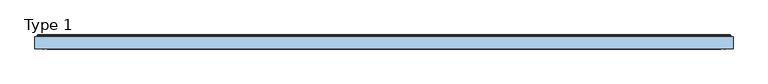
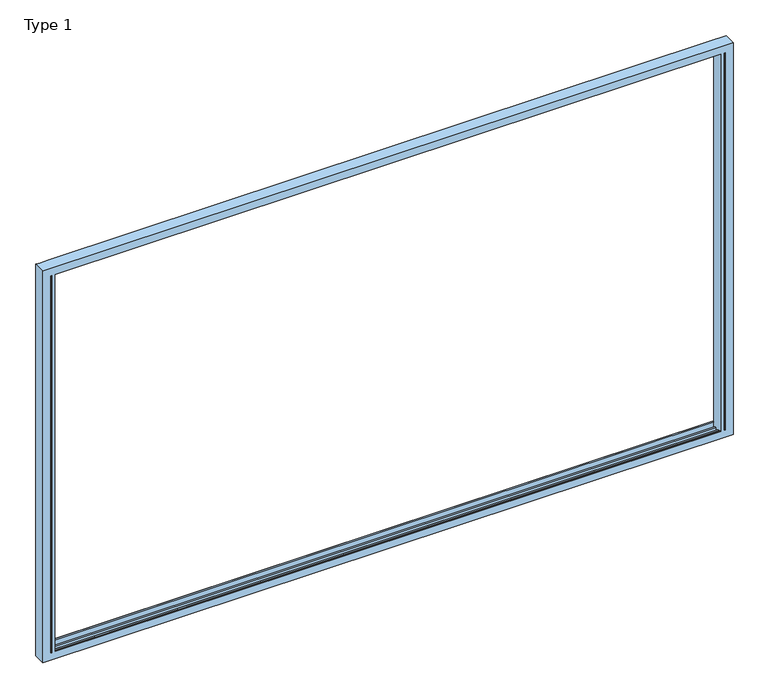
"""IFC4 building model written with IfcOpenShell, lengths in millimetres: window geometry, Type 1."""

from ifc_helpers import new_model, si_unit, frame, origin, place, context, project, spatial, ellipse_curve, source, transform, mapped, element, save
from ifc_brep_helpers import plane_surface, cylinder_surface, advanced_brep


def type_1_b8dff935(model_context):
    return source(origin(), model_context, "Body", "AdvancedBrep", [
        advanced_brep(
        [(1945.0, -70.0, 45.0), (1945.0, -70.0, 2345.0), (1945.0, -66.5, 2345.0), (1945.0, -66.4999084, 45.0), (1940.0003662, -66.4999084, 45.0), (1940.0003662, -70.0, 45.0), (-1945.0, -70.0, 45.0), (-1940.0003662, -70.0, 45.0), (-1940.0003662, -66.5, 45.0), (-1945.0, -66.4999084, 45.0), (1918.7961345, -66.5, 45.0), (-1918.7961345, -66.5, 45.0), (-1918.7961345, -70.0, 45.0), (1918.7961345, -70.0, 45.0), (1990.0, -70.0, 2390.0), (-1990.0, -70.0, 2390.0), (-1990.0, -70.0, 0.0), (1990.0, -70.0, 0.0), (1940.0003662, -70.0, 2345.0), (1918.7961345, -70.0, 2345.0), (-1918.7961345, -70.0, 2345.0), (-1945.0, -70.0, 2345.0), (-1940.0003662, -70.0, 2345.0), (1940.0003662, -66.5, 2345.0), (-1945.0, -66.4999084, 2345.0), (-1940.0003662, -66.4999084, 2345.0), (1918.7961345, -66.5, 2345.0), (1918.7961345, -66.5, 2365.9997864), (1918.7961345, -55.8499756, 2365.9997864), (1918.7961345, -55.8499756, 2349.000061), (1918.7961345, -46.25, 2349.000061), (1918.7961345, -46.25, 2365.9997864), (1918.7961345, -23.7500839, 2365.9997864), (1918.7961345, -23.7500839, 2349.000061), (1918.7961345, -14.1501312, 2349.000061), (1918.7961345, -14.1501312, 2365.9997864), (1918.7961345, 0.0, 2365.9997864), (1918.7961345, 0.0, 2330.0000916), (1918.7961345, 0.0, 59.9999084), (1918.7961345, 0.0, 24.0002136), (1918.7961345, -14.1501312, 24.0002136), (1918.7961345, -14.1501312, 40.999939), (1918.7961345, -23.7500839, 40.999939), (1918.7961345, -23.7500839, 24.0002136), (1918.7961345, -46.25, 24.0002136), (1918.7961345, -46.25, 40.999939), (1918.7961345, -55.8499756, 40.999939), (1918.7961345, -55.8499756, 24.0002136), (1918.7961345, -66.5, 24.0002136), (-1918.7961345, -66.5, 24.0002136), (-1918.7961345, -55.8499756, 24.0002136), (-1918.7961345, -55.8499756, 40.999939), (-1918.7961345, -46.25, 40.999939), (-1918.7961345, -46.25, 24.0002136), (-1918.7961345, -23.7500839, 24.0002136), (-1918.7961345, -23.7500839, 40.999939), (-1918.7961345, -14.1501312, 40.999939), (-1918.7961345, -14.1501312, 24.0002136), (-1918.7961345, 0.0, 24.0002136), (-1918.7961345, 0.0, 59.9999084), (-1918.7961345, 0.0, 2330.0000916), (-1918.7961345, 0.0, 2365.9997864), (-1918.7961345, -14.1501312, 2365.9997864), (-1918.7961345, -14.1501312, 2349.000061), (-1918.7961345, -23.7500839, 2349.000061), (-1918.7961345, -23.7500839, 2365.9997864), (-1918.7961345, -46.25, 2365.9997864), (-1918.7961345, -46.25, 2349.000061), (-1918.7961345, -55.8499756, 2349.000061), (-1918.7961345, -55.8499756, 2365.9997864), (-1918.7961345, -66.5, 2365.9997864), (-1918.7961345, -66.5, 2345.0), (-1990.0, 0.0, 0.0), (-1965.9997864, 0.0, 0.0), (-1918.7961345, 0.0, 0.0), (1918.7961345, 0.0, 0.0), (1965.9997864, 0.0, 0.0), (1990.0, 0.0, 0.0), (1990.0, 0.0, 2390.0), (-1990.0, 0.0, 2390.0), (-1965.9997864, 0.0, 2390.0), (-1918.7961345, 0.0, 2390.0), (1918.7961345, 0.0, 2390.0), (1965.9997864, 0.0, 2390.0), (1977.999939, 0.0, 2377.999939), (1965.9997864, 0.0, 2377.999939), (1918.7961345, 0.0, 2377.999939), (-1918.7961345, 0.0, 2377.999939), (-1965.9997864, 0.0, 2377.999939), (-1977.999939, 0.0, 2377.999939), (-1977.999939, 0.0, 12.000061), (-1965.9997864, 0.0, 12.000061), (-1918.7961345, 0.0, 12.000061), (1918.7961345, 0.0, 12.000061), (1965.9997864, 0.0, 12.000061), (1977.999939, 0.0, 12.000061), (1930.0000916, 0.0, 59.9999084), (1930.0000916, 0.0, 2330.0000916), (1930.0000916, 7.4999847, 2330.0000916), (1930.0000916, 7.4999847, 59.9999084), (-1930.0000916, 7.4999847, 59.9999084), (-1930.0000916, 0.0, 59.9999084), (-1930.0000916, 0.0, 2330.0000916), (-1930.0000916, 7.4999847, 2330.0000916), (1932.5000916, 9.9999847, 57.4999084), (-1932.5000916, 9.9999847, 57.4999084), (1977.999939, 5.4999847, 12.000061), (1977.999939, 5.4999847, 2377.999939), (-1977.999939, 5.4999847, 12.000061), (-1973.499939, 9.9999847, 16.500061), (1973.499939, 9.9999847, 16.500061), (-1977.999939, 5.4999847, 2377.999939), (1932.5000916, 9.9999847, 2332.5000916), (1973.499939, 9.9999847, 2373.499939), (-1932.5000916, 9.9999847, 2332.5000916), (-1973.499939, 9.9999847, 2373.499939)],
        [
            (0, 1),
            (1, 2),
            (2, 3),
            (3, 0),
            (3, 4),
            (4, 5),
            (5, 0),
            (6, 7),
            (7, 8),
            (8, 9),
            (9, 6),
            (10, 11),
            (11, 12),
            (12, 13),
            (13, 10),
            (14, 15),
            (15, 16),
            (16, 17),
            (17, 14),
            (5, 18),
            (18, 1),
            (19, 13),
            (12, 20),
            (20, 19),
            (21, 22),
            (22, 7),
            (6, 21),
            (4, 23),
            (23, 18),
            (2, 23),
            (9, 24),
            (24, 21),
            (25, 24),
            (8, 25),
            (22, 25),
            (19, 26),
            (26, 27),
            (27, 28),
            (28, 29),
            (29, 30),
            (30, 31),
            (31, 32),
            (32, 33),
            (33, 34),
            (34, 35),
            (35, 36),
            (36, 37),
            (37, 38),
            (38, 39),
            (39, 40),
            (40, 41),
            (41, 42),
            (42, 43),
            (43, 44),
            (44, 45),
            (45, 46),
            (46, 47),
            (47, 48),
            (48, 10),
            (11, 49),
            (49, 50),
            (50, 51),
            (51, 52),
            (52, 53),
            (53, 54),
            (54, 55),
            (55, 56),
            (56, 57),
            (57, 58),
            (58, 59),
            (59, 60),
            (60, 61),
            (61, 62),
            (62, 63),
            (63, 64),
            (64, 65),
            (65, 66),
            (66, 67),
            (67, 68),
            (68, 69),
            (69, 70),
            (70, 71),
            (71, 20),
            (26, 71),
            (70, 27),
            (48, 49),
            (16, 72),
            (72, 73),
            (73, 74),
            (74, 75),
            (75, 76),
            (76, 77),
            (77, 17),
            (77, 78),
            (78, 14),
            (72, 79),
            (79, 80),
            (80, 81),
            (81, 82),
            (82, 83),
            (83, 78),
            (84, 85),
            (85, 86),
            (86, 87),
            (87, 88),
            (88, 89),
            (89, 90),
            (90, 91),
            (91, 92),
            (92, 93),
            (93, 94),
            (94, 95),
            (95, 84),
            (15, 79),
            (47, 50),
            (28, 69),
            (68, 29),
            (46, 51),
            (45, 52),
            (30, 67),
            (66, 31),
            (44, 53),
            (43, 54),
            (32, 65),
            (64, 33),
            (42, 55),
            (41, 56),
            (34, 63),
            (62, 35),
            (40, 57),
            (39, 58),
            (36, 61),
            (60, 37),
            (38, 59),
            (96, 97),
            (97, 98),
            (98, 99),
            (99, 96),
            (99, 100),
            (100, 101),
            (101, 59),
            (38, 96),
            (37, 97),
            (101, 102),
            (102, 60),
            (100, 103),
            (103, 102),
            (99, 104, ellipse_curve(frame((1932.5000916, 7.4999847, 57.4999084), z_axis=(-0.7071067811865451, 0.0, -0.7071067811865498), x_axis=(0.70710678118655, 0.0, -0.7071067811865451)), 3.5355339, 2.5)),
            (104, 105),
            (105, 100, ellipse_curve(frame((-1932.5000916, 7.4999847, 57.4999084), z_axis=(0.7071067811865498, 0.0, -0.7071067811865451), x_axis=(0.7071067811865452, 0.0, 0.7071067811865497)), 3.5355339, 2.5)),
            (106, 107),
            (107, 84),
            (95, 106),
            (90, 108),
            (108, 106),
            (108, 109, ellipse_curve(frame((-1973.499939, 5.4999847, 16.500061), z_axis=(0.7071067811865498, 0.0, -0.7071067811865451), x_axis=(0.7071067811865452, 0.0, 0.7071067811865497)), 6.363961, 4.5)),
            (109, 110),
            (110, 106, ellipse_curve(frame((1973.499939, 5.4999847, 16.500061), z_axis=(-0.7071067811865451, 0.0, -0.7071067811865498), x_axis=(0.70710678118655, 0.0, -0.7071067811865451)), 6.363961, 4.5)),
            (89, 111),
            (111, 108),
            (98, 112, ellipse_curve(frame((1932.5000916, 7.4999847, 2332.5000916), z_axis=(0.7071067811865498, 0.0, -0.7071067811865451), x_axis=(0.7071067811865451, 0.0, 0.70710678118655)), 3.5355339, 2.5)),
            (112, 104),
            (110, 113),
            (113, 107, ellipse_curve(frame((1973.499939, 5.4999847, 2373.499939), z_axis=(0.7071067811865498, 0.0, -0.7071067811865451), x_axis=(0.7071067811865451, 0.0, 0.70710678118655)), 6.363961, 4.5)),
            (105, 114),
            (114, 103, ellipse_curve(frame((-1932.5000916, 7.4999847, 2332.5000916), z_axis=(-0.7071067811865451, 0.0, -0.7071067811865498), x_axis=(0.7071067811865497, 0.0, -0.7071067811865452)), 3.5355339, 2.5)),
            (111, 115, ellipse_curve(frame((-1973.499939, 5.4999847, 2373.499939), z_axis=(-0.7071067811865451, 0.0, -0.7071067811865498), x_axis=(0.7071067811865497, 0.0, -0.7071067811865452)), 6.363961, 4.5)),
            (115, 109),
            (115, 113),
            (112, 114),
            (103, 98),
            (107, 111),
        ],
        [
            plane_surface(frame((1945.0, -70.0, 2345.0), z_axis=(-1.0, 0.0, 0.0), x_axis=(0.0, 0.0, -1.0))),
            plane_surface(frame((1945.0, -70.0, 45.0), z_axis=(0.0, 0.0, 1.0), x_axis=(-1.0, 0.0, 0.0))),
            plane_surface(frame((-1990.0, -70.0, 2390.0), z_axis=(0.0, -1.0, 0.0), x_axis=(1.0, 0.0, 0.0))),
            plane_surface(frame((1940.0003662, -66.4999084, 2390.0), z_axis=(1.0, 0.0, 0.0), x_axis=(0.0, 0.0, -1.0))),
            plane_surface(frame((1965.9997864, -66.4999084, 2390.0), z_axis=(0.0, -1.0, 0.0), x_axis=(0.0, 0.0, -1.0))),
            plane_surface(frame((-1945.0, -70.0, 45.0), z_axis=(1.0, 0.0, 0.0), x_axis=(0.0, 0.0, 1.0))),
            plane_surface(frame((-1940.0003662, -66.4999084, 2390.0), z_axis=(0.0, -1.0, 0.0), x_axis=(0.0, 0.0, -1.0))),
            plane_surface(frame((-1940.0003662, -70.0, 2390.0), z_axis=(-1.0, 0.0, 0.0), x_axis=(0.0, 0.0, -1.0))),
            plane_surface(frame((1918.7961345, -70.0, 2390.0), z_axis=(-1.0, 0.0, 0.0), x_axis=(0.0, 0.0, -1.0))),
            plane_surface(frame((-1918.7961345, 0.0, 2390.0), z_axis=(1.0, 0.0, 0.0), x_axis=(0.0, 0.0, -1.0))),
            plane_surface(frame((-1945.0, -66.5, 2345.0), z_axis=(0.0, 1.0, 0.0), x_axis=(1.0, 0.0, 0.0))),
            plane_surface(frame((1990.0, 0.0, 0.0), z_axis=(0.0, 0.0, -1.0), x_axis=(-1.0, 0.0, 0.0))),
            plane_surface(frame((1990.0, 0.0, 2390.0), z_axis=(1.0, 0.0, 0.0), x_axis=(0.0, 0.0, -1.0))),
            plane_surface(frame((-1977.999939, 0.0, 2377.999939), z_axis=(0.0, 1.0, 0.0), x_axis=(1.0, 0.0, 0.0))),
            plane_surface(frame((-1990.0, 0.0, 0.0), z_axis=(-1.0, 0.0, 0.0), x_axis=(0.0, 0.0, 1.0))),
            plane_surface(frame((1965.9997864, -66.5, 24.0002136), z_axis=(0.0, 0.0, 1.0), x_axis=(-1.0, 0.0, 0.0))),
            plane_surface(frame((-1965.9997864, -55.8499756, 2365.9997864), z_axis=(0.0, -1.0, 0.0), x_axis=(1.0, 0.0, 0.0))),
            plane_surface(frame((1949.000061, -55.8499756, 40.999939), z_axis=(0.0, 0.0, 1.0), x_axis=(-1.0, 0.0, 0.0))),
            plane_surface(frame((-1949.000061, -46.25, 2349.000061), z_axis=(0.0, 1.0, 0.0), x_axis=(1.0, 0.0, 0.0))),
            plane_surface(frame((1965.9997864, -46.25, 24.0002136), z_axis=(0.0, 0.0, 1.0), x_axis=(-1.0, 0.0, 0.0))),
            plane_surface(frame((-1965.9997864, -23.7500839, 2365.9997864), z_axis=(0.0, -1.0, 0.0), x_axis=(1.0, 0.0, 0.0))),
            plane_surface(frame((1949.000061, -23.7500839, 40.999939), z_axis=(0.0, 0.0, 1.0), x_axis=(-1.0, 0.0, 0.0))),
            plane_surface(frame((-1949.000061, -14.1501312, 2349.000061), z_axis=(0.0, 1.0, 0.0), x_axis=(1.0, 0.0, 0.0))),
            plane_surface(frame((1965.9997864, -14.1501312, 24.0002136), z_axis=(0.0, 0.0, 1.0), x_axis=(-1.0, 0.0, 0.0))),
            plane_surface(frame((-1965.9997864, 0.0, 2365.9997864), z_axis=(0.0, -1.0, 0.0), x_axis=(1.0, 0.0, 0.0))),
            plane_surface(frame((1930.0000916, 0.0, 2330.0000916), z_axis=(-1.0, 0.0, 0.0), x_axis=(0.0, 0.0, -1.0))),
            plane_surface(frame((1930.0000916, 0.0, 59.9999084), z_axis=(0.0, 0.0, 1.0), x_axis=(-1.0, 0.0, 0.0))),
            plane_surface(frame((1918.7961345, 0.0, 2390.0), z_axis=(0.0, 1.0, 0.0), x_axis=(0.0, 0.0, -1.0))),
            plane_surface(frame((-1965.9997864, 0.0, 2390.0), z_axis=(0.0, 1.0, 0.0), x_axis=(0.0, 0.0, -1.0))),
            plane_surface(frame((-1930.0000916, 0.0, 59.9999084), z_axis=(1.0, 0.0, 0.0), x_axis=(0.0, 0.0, 1.0))),
            cylinder_surface(frame((1990.0, 7.4999847, 57.4999084), z_axis=(1.0, 0.0, 0.0), x_axis=(0.0, 0.0, 1.0)), 2.5),
            plane_surface(frame((1977.999939, 5.4999847, 2377.999939), z_axis=(1.0, 0.0, 0.0), x_axis=(0.0, 0.0, -1.0))),
            plane_surface(frame((1977.999939, 5.4999847, 12.000061), z_axis=(0.0, 0.0, -1.0), x_axis=(-1.0, 0.0, 0.0))),
            cylinder_surface(frame((1990.0, 5.4999847, 16.500061), z_axis=(1.0, 0.0, 0.0), x_axis=(0.0, 0.0, 1.0)), 4.5),
            plane_surface(frame((-1977.999939, 5.4999847, 12.000061), z_axis=(-1.0, 0.0, 0.0), x_axis=(0.0, 0.0, 1.0))),
            cylinder_surface(frame((1932.5000916, 7.4999847, 2390.0), z_axis=(0.0, 0.0, 1.0), x_axis=(-1.0, 0.0, 0.0)), 2.5),
            cylinder_surface(frame((1973.499939, 5.4999847, 2390.0), z_axis=(0.0, 0.0, 1.0), x_axis=(-1.0, 0.0, 0.0)), 4.5),
            cylinder_surface(frame((-1932.5000916, 7.4999847, 0.0), z_axis=(0.0, 0.0, -1.0), x_axis=(1.0, 0.0, 0.0)), 2.5),
            cylinder_surface(frame((-1973.499939, 5.4999847, 0.0), z_axis=(0.0, 0.0, -1.0), x_axis=(1.0, 0.0, 0.0)), 4.5),
            plane_surface(frame((-1932.5000916, 9.9999847, 2332.5000916), z_axis=(0.0, 1.0, 0.0), x_axis=(1.0, 0.0, 0.0))),
            plane_surface(frame((-1990.0, 0.0, 2390.0), z_axis=(0.0, 0.0, 1.0), x_axis=(1.0, 0.0, 0.0))),
            plane_surface(frame((-1945.0, -70.0, 2345.0), z_axis=(0.0, 0.0, -1.0), x_axis=(1.0, 0.0, 0.0))),
            plane_surface(frame((-1930.0000916, 0.0, 2330.0000916), z_axis=(0.0, 0.0, -1.0), x_axis=(1.0, 0.0, 0.0))),
            plane_surface(frame((-1977.999939, 5.4999847, 2377.999939), z_axis=(0.0, 0.0, 1.0), x_axis=(1.0, 0.0, 0.0))),
            plane_surface(frame((-1965.9997864, -66.5, 2365.9997864), z_axis=(0.0, 0.0, -1.0), x_axis=(1.0, 0.0, 0.0))),
            plane_surface(frame((-1949.000061, -55.8499756, 2349.000061), z_axis=(0.0, 0.0, -1.0), x_axis=(1.0, 0.0, 0.0))),
            plane_surface(frame((-1965.9997864, -46.25, 2365.9997864), z_axis=(0.0, 0.0, -1.0), x_axis=(1.0, 0.0, 0.0))),
            plane_surface(frame((-1949.000061, -23.7500839, 2349.000061), z_axis=(0.0, 0.0, -1.0), x_axis=(1.0, 0.0, 0.0))),
            plane_surface(frame((-1965.9997864, -14.1501312, 2365.9997864), z_axis=(0.0, 0.0, -1.0), x_axis=(1.0, 0.0, 0.0))),
            cylinder_surface(frame((-1990.0, 7.4999847, 2332.5000916), z_axis=(-1.0, 0.0, 0.0), x_axis=(0.0, 0.0, -1.0)), 2.5),
            cylinder_surface(frame((-1990.0, 5.4999847, 2373.499939), z_axis=(-1.0, 0.0, 0.0), x_axis=(0.0, 0.0, -1.0)), 4.5),
        ],
        [
            (0, [[1, 2, 3, 4]]),
            (1, [[5, 6, 7, -4]]),
            (1, [[8, 9, 10, 11]]),
            (1, [[12, 13, 14, 15]]),
            (2, [[16, 17, 18, 19], [-7, 20, 21, -1], [22, -14, 23, 24], [25, 26, -8, 27]]),
            (3, [[-6, 28, 29, -20]]),
            (4, [[-5, -3, 30, -28]]),
            (5, [[31, 32, -27, -11]]),
            (6, [[33, -31, -10, 34]]),
            (7, [[35, -34, -9, -26]]),
            (8, [[36, 37, 38, 39, 40, 41, 42, 43, 44, 45, 46, 47, 48, 49, 50, 51, 52, 53, 54, 55, 56, 57, 58, 59, -15, -22]]),
            (9, [[-13, 60, 61, 62, 63, 64, 65, 66, 67, 68, 69, 70, 71, 72, 73, 74, 75, 76, 77, 78, 79, 80, 81, 82, 83, -23]]),
            (10, [[84, -82, 85, -37]]),
            (10, [[86, -60, -12, -59]]),
            (11, [[87, 88, 89, 90, 91, 92, 93, -18]]),
            (12, [[94, 95, -19, -93]]),
            (13, [[-92, -91, -90, -89, -88, 96, 97, 98, 99, 100, 101, -94], [102, 103, 104, 105, 106, 107, 108, 109, 110, 111, 112, 113]]),
            (14, [[-17, 114, -96, -87]]),
            (15, [[115, -61, -86, -58]]),
            (16, [[116, -80, 117, -39]]),
            (16, [[118, -62, -115, -57]]),
            (17, [[119, -63, -118, -56]]),
            (18, [[120, -78, 121, -41]]),
            (18, [[122, -64, -119, -55]]),
            (19, [[123, -65, -122, -54]]),
            (20, [[124, -76, 125, -43]]),
            (20, [[126, -66, -123, -53]]),
            (21, [[127, -67, -126, -52]]),
            (22, [[128, -74, 129, -45]]),
            (22, [[130, -68, -127, -51]]),
            (23, [[131, -69, -130, -50]]),
            (24, [[132, -72, 133, -47]]),
            (24, [[134, -70, -131, -49]]),
            (25, [[135, 136, 137, 138]]),
            (26, [[139, 140, 141, -134, 142, -138]]),
            (27, [[143, -135, -142, -48]]),
            (28, [[-141, 144, 145, -71]]),
            (29, [[146, 147, -144, -140]]),
            (30, [[148, 149, 150, -139]]),
            (31, [[151, 152, -113, 153]]),
            (32, [[-112, -111, -110, -109, -108, 154, 155, -153]]),
            (33, [[156, 157, 158, -155]]),
            (34, [[-107, 159, 160, -154]]),
            (35, [[161, 162, -148, -137]]),
            (36, [[-158, 163, 164, -151]]),
            (37, [[-150, 165, 166, -146]]),
            (38, [[167, 168, -156, -160]]),
            (39, [[-163, -157, -168, 169], [-162, 170, -165, -149]]),
            (40, [[-101, -100, -99, -98, -97, -114, -16, -95]]),
            (41, [[-21, -29, -30, -2]]),
            (41, [[-24, -83, -84, -36]]),
            (41, [[-33, -35, -25, -32]]),
            (42, [[-143, -133, -145, -147, 171, -136]]),
            (43, [[172, -159, -106, -105, -104, -103, -102, -152]]),
            (44, [[-85, -81, -116, -38]]),
            (45, [[-117, -79, -120, -40]]),
            (46, [[-121, -77, -124, -42]]),
            (47, [[-125, -75, -128, -44]]),
            (48, [[-129, -73, -132, -46]]),
            (49, [[-166, -170, -161, -171]]),
            (50, [[-167, -172, -164, -169]]),
        ],
    ),
    ])


if __name__ == "__main__":
    model = new_model("IFC4")
    model_context = context("Model", 3, world=origin())
    ifc_project = project(units=[si_unit("LENGTHUNIT", "METRE", prefix="MILLI")], contexts=[model_context])
    site = spatial("IfcSite", under=ifc_project)
    building = spatial("IfcBuilding", under=site)
    placement = place(None, origin())
    type_1_shape = type_1_b8dff935(model_context)
    element("IfcWindow", 1, ObjectType="Type 1", at=placement, inside=building, context=model_context, shape_type="MappedRepresentation", body=[
        mapped(type_1_shape, transform((0.0, 0.0, 0.0), x_axis=(1.0, 0.0, 0.0), y_axis=(0.0, 1.0, 0.0), z_axis=(0.0, 0.0, 1.0))),
    ])
    save(model, "model.ifc")
